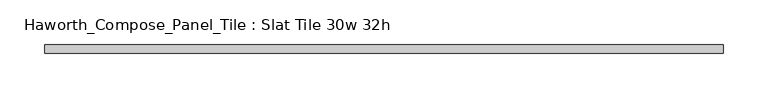
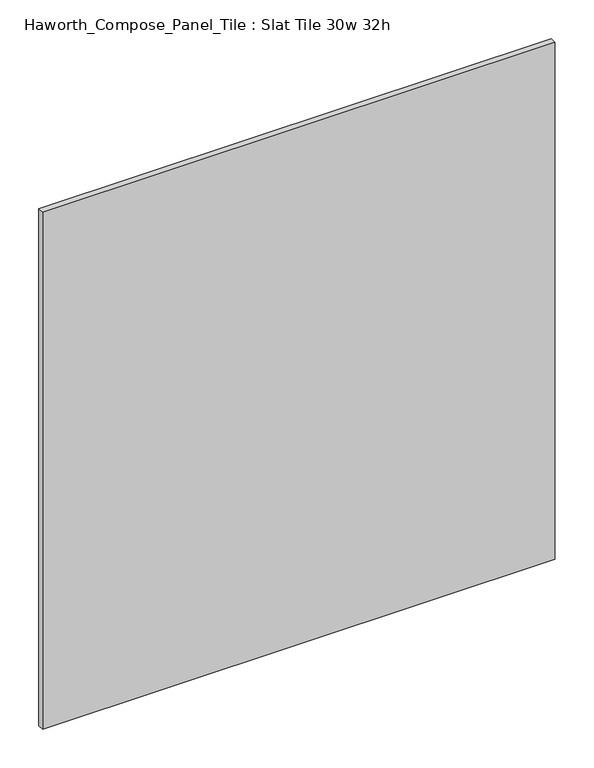
"""IFC4 building model written with IfcOpenShell, lengths in millimetres: furniture geometry, Haworth_Compose_Panel_Tile : Slat Tile 30w 32h."""

from ifc_helpers import new_model, si_unit, frame, origin, place, context, project, spatial, polyline, outline, extrude, source, transform, mapped, element, save


def haworth_compose_panel_tile_slat_tile_30w_32h_3e84f400(model_context):
    return source(origin(), model_context, "Body", "SweptSolid", [
        extrude(outline(polyline([(383.4402902, -25.7218594), (-378.5597098, -25.7218594), (-378.5597098, -16.1968594), (383.4402902, -16.1968594), (383.4402902, -25.7218594)])), frame((0.0, 0.0, 1066.8), z_axis=(0.0, 0.0, 1.0), x_axis=(1.0, 0.0, 0.0)), (0.0, 0.0, 1.0), 812.8),
    ])


if __name__ == "__main__":
    model = new_model("IFC4")
    model_context = context("Model", 3, world=origin())
    ifc_project = project(units=[si_unit("LENGTHUNIT", "METRE", prefix="MILLI")], contexts=[model_context])
    site = spatial("IfcSite", under=ifc_project)
    building = spatial("IfcBuilding", under=site)
    placement = place(None, origin())
    haworth_compose_panel_tile_slat_tile_30w_32h_shape = haworth_compose_panel_tile_slat_tile_30w_32h_3e84f400(model_context)
    element("IfcFurniture", 1, ObjectType="Haworth_Compose_Panel_Tile : Slat Tile 30w 32h", at=placement, inside=building, context=model_context, shape_type="MappedRepresentation", body=[
        mapped(haworth_compose_panel_tile_slat_tile_30w_32h_shape, transform((0.0, 0.0, 0.0), x_axis=(1.0, 0.0, 0.0), y_axis=(0.0, 1.0, 0.0), z_axis=(0.0, 0.0, 1.0))),
    ])
    save(model, "model.ifc")
